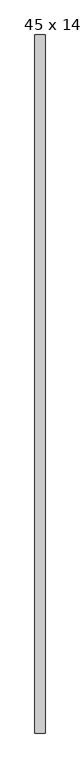
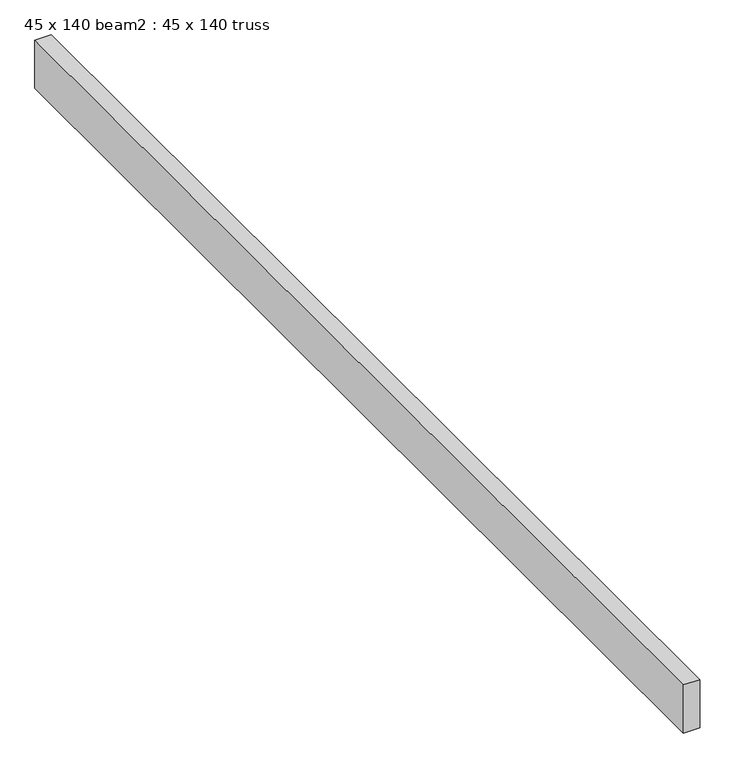
"""IFC4 building model written with IfcOpenShell, lengths in millimetres: proxy geometry, 45 x 140 beam2 : 45 x 140 truss."""

from ifc_helpers import new_model, si_unit, frame, origin, place, context, project, spatial, polyline, outline, extrude, source, transform, mapped, element, save


def proxy_45_x_140_beam2_45_x_140_truss_0bb3cfcb(model_context):
    return source(origin(), model_context, "Body", "SweptSolid", [
        extrude(outline(polyline([(22237.8272386, -13655.4372176), (22192.8272386, -13655.4372176), (22192.8272386, -10565.4372176), (22237.8272386, -10565.4372176), (22237.8272386, -13655.4372176)])), frame((0.0, 0.0, 3644.2452806), z_axis=(0.0, 0.0, 1.0), x_axis=(1.0, 0.0, 0.0)), (0.0, 0.0, 1.0), 140.0),
    ])


if __name__ == "__main__":
    model = new_model("IFC4")
    model_context = context("Model", 3, world=origin())
    ifc_project = project(units=[si_unit("LENGTHUNIT", "METRE", prefix="MILLI")], contexts=[model_context])
    site = spatial("IfcSite", under=ifc_project)
    building = spatial("IfcBuilding", under=site)
    placement = place(None, origin())
    proxy_45_x_140_beam2_45_x_140_truss_shape = proxy_45_x_140_beam2_45_x_140_truss_0bb3cfcb(model_context)
    element("IfcBuildingElementProxy", 1, Name="45 x 140 beam2 : 45 x 140 truss", ObjectType="45 x 140 beam2 : 45 x 140 truss", at=placement, inside=building, context=model_context, shape_type="MappedRepresentation", body=[
        mapped(proxy_45_x_140_beam2_45_x_140_truss_shape, transform((0.0, 0.0, 0.0), x_axis=(1.0, 0.0, 0.0), y_axis=(0.0, 1.0, 0.0), z_axis=(0.0, 0.0, 1.0))),
    ])
    save(model, "model.ifc")
